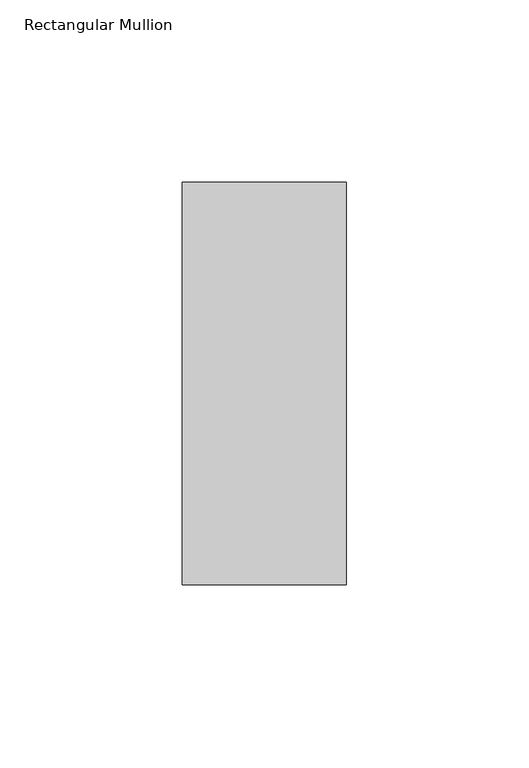
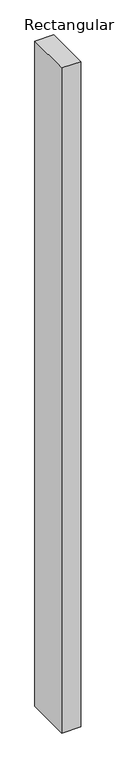
"""IFC4 building model written with IfcOpenShell, lengths in millimetres: member geometry, Rectangular Mullion."""

import ifcopenshell
import ifcopenshell.guid

model = None  # the IFC model being written
_history = None  # IfcOwnerHistory: only IFC2X3 demands one
_inside = {}  # id of a spatial element -> (the spatial element, [elements in it])
_under = {}  # id of a project, library or spatial element -> (it, [spatial elements below it])
_declared = {}  # id of a project -> (the project, [libraries it declares])
_typed = {}  # id of a type object -> (the type object, [elements of that type])
_made_of = {}  # id of a material, layer set ... -> (it, [elements and type objects made of it])


def new_model(schema):
    """Start an empty IFC model of exactly this schema.

    Asked for "IFC4X3", IfcOpenShell would pick the latest addendum, in which some entities
    have other attributes; the version numbers below select the first issue.
    IFC2X3 requires an IfcOwnerHistory on every rooted entity: one is made here for all.
    """
    global model, _history
    if schema == "IFC4X3":
        model = ifcopenshell.file(schema_version=(4, 3, 0, 0))
    else:
        model = ifcopenshell.file(schema=schema)
    _inside.clear()
    _under.clear()
    _declared.clear()
    _typed.clear()
    _made_of.clear()
    _history = None
    if model.schema == "IFC2X3":
        org = make("IfcOrganization", Name="unknown")
        user = make(
            "IfcPersonAndOrganization",
            ThePerson=make("IfcPerson", FamilyName="unknown"),
            TheOrganization=org,
        )
        app = make(
            "IfcApplication",
            ApplicationDeveloper=org,
            Version="unknown",
            ApplicationFullName="unknown",
            ApplicationIdentifier="unknown",
        )
        _history = make(
            "IfcOwnerHistory",
            OwningUser=user,
            OwningApplication=app,
            ChangeAction="ADDED",
            CreationDate=0,
        )
    return model


def make(cls, **values):
    """One entity of the class cls with the attributes given. An attribute that is None is left unset."""
    return model.create_entity(
        cls, **{name: value for name, value in values.items() if value is not None}
    )


def rooted(cls, **values):
    """An entity with a GlobalId (a new one), such as an element, a storey or a relation."""
    return make(cls, GlobalId=ifcopenshell.guid.new(), OwnerHistory=_history, **values)


def si_unit(unit_type, name, prefix=None):
    """IfcSIUnit, for example si_unit("LENGTHUNIT", "METRE", prefix="MILLI")."""
    return make("IfcSIUnit", UnitType=unit_type, Prefix=prefix, Name=name)


def assignment(units):
    """IfcUnitAssignment: the units of a project."""
    return None if units is None else make("IfcUnitAssignment", Units=units)


def point(xyz):
    """IfcCartesianPoint."""
    return None if xyz is None else make("IfcCartesianPoint", Coordinates=xyz)


def direction(xyz):
    """IfcDirection."""
    return None if xyz is None else make("IfcDirection", DirectionRatios=xyz)


def frame(location, z_axis=None, x_axis=None):
    """IfcAxis2Placement3D, a coordinate frame: its origin and axes. An axis left out is left unset."""
    return make(
        "IfcAxis2Placement3D",
        Location=point(location),
        Axis=direction(z_axis),
        RefDirection=direction(x_axis),
    )


def origin():
    """The frame at (0, 0, 0) with its axes left unset."""
    return frame((0.0, 0.0, 0.0))


def place(relative_to, where):
    """IfcLocalPlacement: puts the frame where relative to a parent placement (None: the world)."""
    return make(
        "IfcLocalPlacement", PlacementRelTo=relative_to, RelativePlacement=where
    )


def context(
    kind, dimensions, precision=None, world=None, true_north=None, identifier=None
):
    """IfcGeometricRepresentationContext, for example the 3D "Model" context."""
    return make(
        "IfcGeometricRepresentationContext",
        ContextIdentifier=identifier,
        ContextType=kind,
        CoordinateSpaceDimension=dimensions,
        Precision=precision,
        WorldCoordinateSystem=world,
        TrueNorth=true_north,
    )


def project(units=None, contexts=None):
    """IfcProject with its units and contexts."""
    return rooted(
        "IfcProject",
        Name="project",
        RepresentationContexts=contexts,
        UnitsInContext=assignment(units),
    )


def spatial(cls, under=None, at=None, **own):
    """A site, building, storey or space (cls), placed at a placement, below another one or the project."""
    s = rooted(cls, ObjectPlacement=at, **own)
    if under is not None:
        _under.setdefault(under.id(), (under, []))[1].append(s)
    return s


def polyline(points):
    """IfcPolyline through the points."""
    return make("IfcPolyline", Points=[point(p) for p in points])


def outline(outer, holes=None, kind="AREA"):
    """IfcArbitraryClosedProfileDef: a profile drawn as a closed curve; with holes, ...WithVoids."""
    if holes is None:
        return make("IfcArbitraryClosedProfileDef", ProfileType=kind, OuterCurve=outer)
    return make(
        "IfcArbitraryProfileDefWithVoids",
        ProfileType=kind,
        OuterCurve=outer,
        InnerCurves=holes,
    )


def extrude(swept, where, along, depth):
    """IfcExtrudedAreaSolid: the profile swept, set in the frame where, extruded along a direction by depth."""
    return make(
        "IfcExtrudedAreaSolid",
        SweptArea=swept,
        Position=where,
        ExtrudedDirection=direction(along),
        Depth=depth,
    )


def shape(context_of_items, identifier, shape_type, items):
    """IfcShapeRepresentation: the items that make up one representation, for example the "Body"."""
    return make(
        "IfcShapeRepresentation",
        ContextOfItems=context_of_items,
        RepresentationIdentifier=identifier,
        RepresentationType=shape_type,
        Items=items,
    )


def source(mapping_origin, context_of_items, identifier, shape_type, items):
    """IfcRepresentationMap: a shape defined once, which mapped items show again and again."""
    return make(
        "IfcRepresentationMap",
        MappingOrigin=mapping_origin,
        MappedRepresentation=shape(context_of_items, identifier, shape_type, items),
    )


def transform(
    local_origin,
    x_axis=None,
    y_axis=None,
    z_axis=None,
    scale=None,
    scale2=None,
    scale3=None,
    uniform=True,
):
    """IfcCartesianTransformationOperator3D, or its non-uniform kind. x_axis, y_axis, z_axis: its Axis1, 2, 3."""
    if uniform:
        return make(
            "IfcCartesianTransformationOperator3D",
            Axis1=direction(x_axis),
            Axis2=direction(y_axis),
            LocalOrigin=point(local_origin),
            Scale=scale,
            Axis3=direction(z_axis),
        )
    return make(
        "IfcCartesianTransformationOperator3DnonUniform",
        Axis1=direction(x_axis),
        Axis2=direction(y_axis),
        LocalOrigin=point(local_origin),
        Scale=scale,
        Axis3=direction(z_axis),
        Scale2=scale2,
        Scale3=scale3,
    )


def mapped(mapping_source, mapping_target):
    """IfcMappedItem: shows the shape of a source again, moved by a transform."""
    return make(
        "IfcMappedItem", MappingSource=mapping_source, MappingTarget=mapping_target
    )


def made_of(thing, what):
    """Note that an element or type object is made of a material, layer set ...; save() writes the relation."""
    if what is not None:
        _made_of.setdefault(what.id(), (what, []))[1].append(thing)
    return thing


def element(
    cls,
    number,
    at=None,
    inside=None,
    cuts=None,
    type_object=None,
    material=None,
    context=None,
    identifier="Body",
    shape_type=None,
    held_by="IfcProductDefinitionShape",
    body=None,
    shapes=None,
    **own,
):
    """One element of the class cls, such as IfcWall. Its Tag is "e" and its number.

    at: its placement. inside: the storey or other place that contains it. cuts: it is an
    opening in that element (IfcRelVoidsElement). A single representation is given by context,
    identifier, shape_type and body (its items); several are given by shapes. held_by: the class
    of the entity that holds the representations. save() writes the other relations.
    """
    e = rooted(cls, Tag="e%d" % number, ObjectPlacement=at, **own)
    if body is not None:
        shapes = [shape(context, identifier, shape_type, body)]
    if shapes is not None:
        e.Representation = make(held_by, Representations=shapes)
    if inside is not None:
        _inside.setdefault(inside.id(), (inside, []))[1].append(e)
    if cuts is not None:
        rooted(
            "IfcRelVoidsElement", RelatingBuildingElement=cuts, RelatedOpeningElement=e
        )
    if type_object is not None:
        _typed.setdefault(type_object.id(), (type_object, []))[1].append(e)
    return made_of(e, material)


def aggregate(whole, parts):
    """IfcRelAggregates: a whole, such as a stair, and the parts it consists of."""
    return rooted("IfcRelAggregates", RelatingObject=whole, RelatedObjects=parts)


def save(model, path):
    """Write the relations noted so far, then the file.

    IfcRelAggregates (storeys below a building ...), IfcRelContainedInSpatialStructure (elements
    in a storey), IfcRelDefinesByType, IfcRelAssociatesMaterial and IfcRelDeclares: one each for
    every whole, place, type object, material and project.
    """
    for whole, parts in _under.values():
        aggregate(whole, parts)
    for where, things in _inside.values():
        rooted(
            "IfcRelContainedInSpatialStructure",
            RelatedElements=things,
            RelatingStructure=where,
        )
    for kind, things in _typed.values():
        rooted("IfcRelDefinesByType", RelatedObjects=things, RelatingType=kind)
    for what, things in _made_of.values():
        rooted("IfcRelAssociatesMaterial", RelatedObjects=things, RelatingMaterial=what)
    for by, libraries in _declared.values():
        rooted("IfcRelDeclares", RelatingContext=by, RelatedDefinitions=libraries)
    model.write(path)


def rectangular_mullion_0bdcb84c(model_context):
    return source(origin(), model_context, "Body", "SweptSolid", [
        extrude(outline(polyline([(0.0, 70.7), (0.0, -39.7), (-45.0, -39.7), (-45.0, 70.7), (0.0, 70.7)])), frame((0.0, 0.0, -1669.7807424), z_axis=(0.0, 0.0, 1.0), x_axis=(1.0, 0.0, 0.0)), (0.0, 0.0, 1.0), 1669.7807424),
    ])


if __name__ == "__main__":
    model = new_model("IFC4")
    model_context = context("Model", 3, world=origin())
    ifc_project = project(units=[si_unit("LENGTHUNIT", "METRE", prefix="MILLI")], contexts=[model_context])
    site = spatial("IfcSite", under=ifc_project)
    building = spatial("IfcBuilding", under=site)
    placement = place(None, origin())
    rectangular_mullion_shape = rectangular_mullion_0bdcb84c(model_context)
    element("IfcMember", 1, ObjectType="Rectangular Mullion", at=placement, inside=building, context=model_context, shape_type="MappedRepresentation", body=[
        mapped(rectangular_mullion_shape, transform((0.0, 0.0, 0.0), x_axis=(1.0, 0.0, 0.0), y_axis=(0.0, 1.0, 0.0), z_axis=(0.0, 0.0, 1.0))),
    ])
    save(model, "model.ifc")
